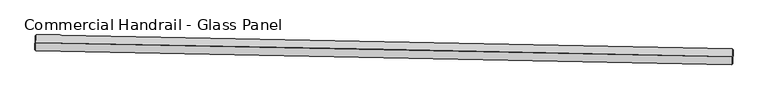
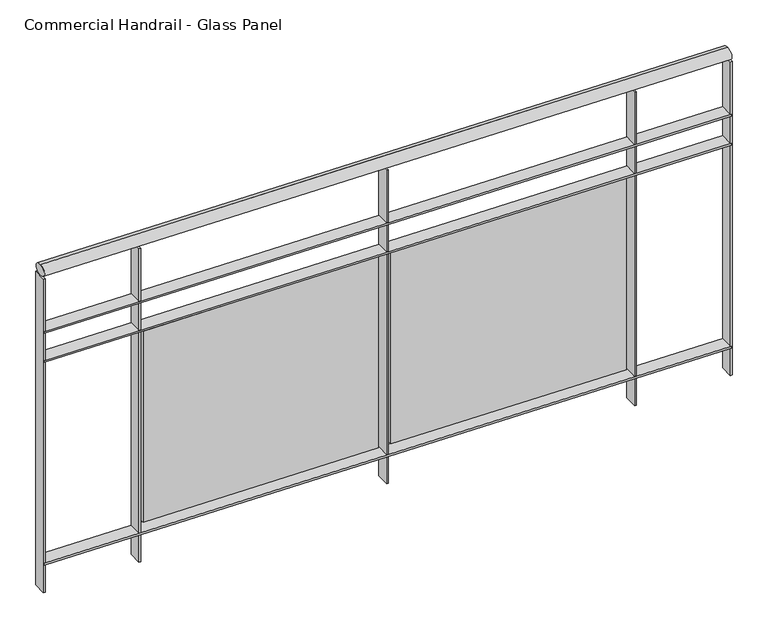
"""IFC4 building model written with IfcOpenShell, lengths in millimetres: railing geometry, Commercial Handrail - Glass Panel."""

from ifc_helpers import new_model, si_unit, point, frame, origin, place, context, project, spatial, polyline, circle_curve, ellipse_curve, trimmed, outline, extrude, source, transform, mapped, element, save
from ifc_brep_helpers import plane_surface, cylinder_surface, revolved_surface, advanced_brep


def commercial_handrail_glass_panel_ea750083(model_context):
    return source(origin(), model_context, "Body", "SolidModel", [
        advanced_brep(
        [(109450.0847955, -31519.7385661, 12882.5), (111668.0683441, -31564.3090244, 12882.5), (111668.0683441, -31564.3090244, 12917.5), (109450.0847955, -31519.7385661, 12917.5)],
        [
            (0, 1, circle_curve(frame((103958.1605732, -360026.9365691, 12882.5), z_axis=(0.0, 0.0, -1.0), x_axis=(0.023466245609922713, 0.9997246297440985, 0.0)), 328553.1012963)),
            (1, 2, ellipse_curve(frame((111668.0683441, -31564.3090244, 12900.0), z_axis=(-0.9997246297440988, 0.02346624560991631, 0.0), x_axis=(0.0234662456099163, 0.9997246297440986, 0.0)), 25.0, 17.5)),
            (2, 3, circle_curve(frame((103958.1605732, -360026.9365691, 12917.5), z_axis=(0.0, 0.0, 1.0), x_axis=(0.023466245609922713, 0.9997246297440985, 0.0)), 328553.1012963)),
            (3, 0, ellipse_curve(frame((109450.0847955, -31519.7385661, 12900.0), z_axis=(0.999860286531577, -0.016715484348137827, 0.0), x_axis=(0.016715484348137827, 0.999860286531577, 0.0)), 25.0, 17.5)),
            (2, 1, ellipse_curve(frame((111668.0683441, -31564.3090244, 12900.0), z_axis=(-0.9997246297440988, 0.02346624560991631, 0.0), x_axis=(0.0234662456099163, 0.9997246297440986, 0.0)), 25.0, 17.5)),
            (0, 3, ellipse_curve(frame((109450.0847955, -31519.7385661, 12900.0), z_axis=(0.999860286531577, -0.016715484348137827, 0.0), x_axis=(0.016715484348137827, 0.999860286531577, 0.0)), 25.0, 17.5)),
        ],
        [
            revolved_surface(trimmed(ellipse_curve(frame((111668.0683441, -31564.3090244, 12900.0), z_axis=(0.9997246297440985, -0.023466245609922713, 0.0), x_axis=(0.0, 0.0, -1.0)), 17.5, 25.0), [point((111668.0683441, -31564.3090244, 12917.5))], [point((111668.0683441, -31564.3090244, 12882.5))], True, "CARTESIAN"), (103958.1605732, -360026.9365691, 12900.0), (0.0, 0.0, 1.0)),
            revolved_surface(trimmed(ellipse_curve(frame((111668.0683441, -31564.3090244, 12900.0), z_axis=(0.9997246297440985, -0.023466245609922713, 0.0), x_axis=(0.0, 0.0, -1.0)), 17.5, 25.0), [point((111668.0683441, -31564.3090244, 12882.5))], [point((111668.0683441, -31564.3090244, 12917.5))], True, "CARTESIAN"), (103958.1605732, -360026.9365691, 12900.0), (0.0, 0.0, 1.0)),
            plane_surface(frame((111668.0683441, -31564.3090244, 12900.0), z_axis=(0.9997246297440986, -0.023466245609922713, 0.0), x_axis=(0.023466245609922713, 0.9997246297440986, 0.0))),
            plane_surface(frame((109450.0847955, -31519.7385661, 12900.0), z_axis=(-0.999860286531577, 0.016715484348137813, 0.0), x_axis=(0.016715484348137813, 0.999860286531577, 0.0))),
        ],
        [
            (0, [[1, 2, 3, 4]]),
            (1, [[-3, 5, -1, 6]]),
            (2, [[-2, -5]]),
            (3, [[-6, -4]]),
        ],
    ),
        advanced_brep(
        [(109449.7086971, -31542.2354226, 12700.0), (111667.5403536, -31586.8028285, 12700.0), (111668.5963347, -31541.8152202, 12700.0), (109450.4608939, -31497.2417097, 12700.0), (109449.7086971, -31542.2354226, 12694.0), (111667.5403536, -31586.8028285, 12694.0), (109450.4608939, -31497.2417097, 12694.0), (111668.5963347, -31541.8152202, 12694.0)],
        [
            (0, 1, circle_curve(frame((103958.1605732, -360026.9365691, 12700.0), z_axis=(0.0, 0.0, -1.0), x_axis=(0.023466245609922713, 0.9997246297440985, 0.0)), 328530.6012963)),
            (1, 2),
            (2, 3, circle_curve(frame((103958.1605732, -360026.9365691, 12700.0), z_axis=(0.0, 0.0, 1.0), x_axis=(0.023466245609922713, 0.9997246297440985, 0.0)), 328575.6012963)),
            (3, 0),
            (4, 5, circle_curve(frame((103958.1605732, -360026.9365691, 12694.0), z_axis=(0.0, 0.0, -1.0), x_axis=(0.023466245609922713, 0.9997246297440985, 0.0)), 328530.6012963)),
            (5, 1),
            (0, 4),
            (6, 7, circle_curve(frame((103958.1605732, -360026.9365691, 12694.0), z_axis=(0.0, 0.0, -1.0), x_axis=(0.023466245609922713, 0.9997246297440985, 0.0)), 328575.6012963)),
            (7, 5),
            (4, 6),
            (2, 7),
            (6, 3),
        ],
        [
            plane_surface(frame((103958.1605732, -360026.9365691, 12700.0), z_axis=(0.0, 0.0, 1.0), x_axis=(0.023466245609922713, 0.9997246297440985, 0.0))),
            revolved_surface(polyline([(111667.54035359457, -31586.802828550455, 12700.0), (111667.54035359457, -31586.802828550455, 12694.0)]), (103958.1605732, -360026.9365691, 12700.0), (0.0, 0.0, 1.0)),
            plane_surface(frame((103958.1605732, -360026.9365691, 12694.0), z_axis=(0.0, 0.0, -1.0), x_axis=(0.023466245609922713, 0.9997246297440985, 0.0))),
            cylinder_surface(frame((103958.1605732, -360026.9365691, 12700.0), z_axis=(0.0, 0.0, 1.0), x_axis=(0.023466245609922713, 0.9997246297440985, 0.0)), 328575.6012963),
            plane_surface(frame((111668.0683441, -31564.3090244, 12700.0), z_axis=(0.9997246297440986, -0.023466245609922713, 0.0), x_axis=(0.023466245609922713, 0.9997246297440986, 0.0))),
            plane_surface(frame((109450.0847955, -31519.7385661, 12700.0), z_axis=(-0.999860286531577, 0.016715484348137813, 0.0), x_axis=(0.016715484348137813, 0.999860286531577, 0.0))),
        ],
        [
            (0, [[1, 2, 3, 4]]),
            (1, [[5, 6, -1, 7]]),
            (2, [[8, 9, -5, 10]]),
            (3, [[-3, 11, -8, 12]]),
            (4, [[-2, -6, -9, -11]]),
            (5, [[-12, -10, -7, -4]]),
        ],
    ),
        advanced_brep(
        [(109449.7086971, -31542.2354226, 12600.0), (111667.5403536, -31586.8028285, 12600.0), (111668.5963347, -31541.8152202, 12600.0), (109450.4608939, -31497.2417097, 12600.0), (109449.7086971, -31542.2354226, 12594.0), (111667.5403536, -31586.8028285, 12594.0), (109450.4608939, -31497.2417097, 12594.0), (111668.5963347, -31541.8152202, 12594.0)],
        [
            (0, 1, circle_curve(frame((103958.1605732, -360026.9365691, 12600.0), z_axis=(0.0, 0.0, -1.0), x_axis=(0.023466245609922713, 0.9997246297440985, 0.0)), 328530.6012963)),
            (1, 2),
            (2, 3, circle_curve(frame((103958.1605732, -360026.9365691, 12600.0), z_axis=(0.0, 0.0, 1.0), x_axis=(0.023466245609922713, 0.9997246297440985, 0.0)), 328575.6012963)),
            (3, 0),
            (4, 5, circle_curve(frame((103958.1605732, -360026.9365691, 12594.0), z_axis=(0.0, 0.0, -1.0), x_axis=(0.023466245609922713, 0.9997246297440985, 0.0)), 328530.6012963)),
            (5, 1),
            (0, 4),
            (6, 7, circle_curve(frame((103958.1605732, -360026.9365691, 12594.0), z_axis=(0.0, 0.0, -1.0), x_axis=(0.023466245609922713, 0.9997246297440985, 0.0)), 328575.6012963)),
            (7, 5),
            (4, 6),
            (2, 7),
            (6, 3),
        ],
        [
            plane_surface(frame((103958.1605732, -360026.9365691, 12600.0), z_axis=(0.0, 0.0, 1.0), x_axis=(0.023466245609922713, 0.9997246297440985, 0.0))),
            revolved_surface(polyline([(111667.54035359457, -31586.802828550455, 12600.0), (111667.54035359457, -31586.802828550455, 12594.0)]), (103958.1605732, -360026.9365691, 12600.0), (0.0, 0.0, 1.0)),
            plane_surface(frame((103958.1605732, -360026.9365691, 12594.0), z_axis=(0.0, 0.0, -1.0), x_axis=(0.023466245609922713, 0.9997246297440985, 0.0))),
            cylinder_surface(frame((103958.1605732, -360026.9365691, 12600.0), z_axis=(0.0, 0.0, 1.0), x_axis=(0.023466245609922713, 0.9997246297440985, 0.0)), 328575.6012963),
            plane_surface(frame((111668.0683441, -31564.3090244, 12600.0), z_axis=(0.9997246297440986, -0.023466245609922713, 0.0), x_axis=(0.023466245609922713, 0.9997246297440986, 0.0))),
            plane_surface(frame((109450.0847955, -31519.7385661, 12600.0), z_axis=(-0.999860286531577, 0.016715484348137813, 0.0), x_axis=(0.016715484348137813, 0.999860286531577, 0.0))),
        ],
        [
            (0, [[1, 2, 3, 4]]),
            (1, [[5, 6, -1, 7]]),
            (2, [[8, 9, -5, 10]]),
            (3, [[-3, 11, -8, 12]]),
            (4, [[-2, -6, -9, -11]]),
            (5, [[-12, -10, -7, -4]]),
        ],
    ),
        advanced_brep(
        [(109449.7086971, -31542.2354226, 11900.0), (111667.5403536, -31586.8028285, 11900.0), (111668.5963347, -31541.8152202, 11900.0), (109450.4608939, -31497.2417097, 11900.0), (109449.7086971, -31542.2354226, 11894.0), (111667.5403536, -31586.8028285, 11894.0), (109450.4608939, -31497.2417097, 11894.0), (111668.5963347, -31541.8152202, 11894.0)],
        [
            (0, 1, circle_curve(frame((103958.1605732, -360026.9365691, 11900.0), z_axis=(0.0, 0.0, -1.0), x_axis=(0.023466245609922713, 0.9997246297440985, 0.0)), 328530.6012963)),
            (1, 2),
            (2, 3, circle_curve(frame((103958.1605732, -360026.9365691, 11900.0), z_axis=(0.0, 0.0, 1.0), x_axis=(0.023466245609922713, 0.9997246297440985, 0.0)), 328575.6012963)),
            (3, 0),
            (4, 5, circle_curve(frame((103958.1605732, -360026.9365691, 11894.0), z_axis=(0.0, 0.0, -1.0), x_axis=(0.023466245609922713, 0.9997246297440985, 0.0)), 328530.6012963)),
            (5, 1),
            (0, 4),
            (6, 7, circle_curve(frame((103958.1605732, -360026.9365691, 11894.0), z_axis=(0.0, 0.0, -1.0), x_axis=(0.023466245609922713, 0.9997246297440985, 0.0)), 328575.6012963)),
            (7, 5),
            (4, 6),
            (2, 7),
            (6, 3),
        ],
        [
            plane_surface(frame((103958.1605732, -360026.9365691, 11900.0), z_axis=(0.0, 0.0, 1.0), x_axis=(0.023466245609922713, 0.9997246297440985, 0.0))),
            revolved_surface(polyline([(111667.54035359457, -31586.802828550455, 11900.0), (111667.54035359457, -31586.802828550455, 11894.0)]), (103958.1605732, -360026.9365691, 11900.0), (0.0, 0.0, 1.0)),
            plane_surface(frame((103958.1605732, -360026.9365691, 11894.0), z_axis=(0.0, 0.0, -1.0), x_axis=(0.023466245609922713, 0.9997246297440985, 0.0))),
            cylinder_surface(frame((103958.1605732, -360026.9365691, 11900.0), z_axis=(0.0, 0.0, 1.0), x_axis=(0.023466245609922713, 0.9997246297440985, 0.0)), 328575.6012963),
            plane_surface(frame((111668.0683441, -31564.3090244, 11900.0), z_axis=(0.9997246297440986, -0.023466245609922713, 0.0), x_axis=(0.023466245609922713, 0.9997246297440986, 0.0))),
            plane_surface(frame((109450.0847955, -31519.7385661, 11900.0), z_axis=(-0.999860286531577, 0.016715484348137813, 0.0), x_axis=(0.016715484348137813, 0.999860286531577, 0.0))),
        ],
        [
            (0, [[1, 2, 3, 4]]),
            (1, [[5, 6, -1, 7]]),
            (2, [[8, 9, -5, 10]]),
            (3, [[-3, 11, -8, 12]]),
            (4, [[-2, -6, -9, -11]]),
            (5, [[-12, -10, -7, -4]]),
        ],
    ),
        extrude(outline(polyline([(109762.6536892, -31502.6092569), (109761.8591469, -31547.602242), (109755.8600823, -31547.496303), (109756.6546246, -31502.503318), (109762.6536892, -31502.6092569)])), frame((0.0, 0.0, 11800.0), z_axis=(0.0, 0.0, 1.0), x_axis=(1.0, 0.0, 0.0)), (0.0, 0.0, 1.0), 1082.1192282),
        extrude(outline(polyline([(110539.0092025, -31545.529787), (109779.1445776, -31531.185736), (109779.3710626, -31519.1878735), (110539.2356875, -31533.5319245), (110539.0092025, -31545.529787)])), frame((0.0, 0.0, 11920.0), z_axis=(0.0, 0.0, 1.0), x_axis=(1.0, 0.0, 0.0)), (0.0, 0.0, 1.0), 660.0),
        extrude(outline(polyline([(110562.5656296, -31517.7165918), (110561.6615355, -31562.7075088), (110555.6627466, -31562.5869629), (110556.5668406, -31517.5960459), (110562.5656296, -31517.7165918)])), frame((0.0, 0.0, 11800.0), z_axis=(0.0, 0.0, 1.0), x_axis=(1.0, 0.0, 0.0)), (0.0, 0.0, 1.0), 1082.1192282),
        extrude(outline(polyline([(111338.8143335, -31562.5273551), (110578.9868877, -31546.33314), (110579.2425858, -31534.3358646), (111339.0700316, -31550.5300797), (111338.8143335, -31562.5273551)])), frame((0.0, 0.0, 11920.0), z_axis=(0.0, 0.0, 1.0), x_axis=(1.0, 0.0, 0.0)), (0.0, 0.0, 1.0), 660.0),
        extrude(outline(polyline([(111362.4384136, -31534.7716003), (111361.4247731, -31579.7601825), (111355.4262954, -31579.6250305), (111356.4399359, -31534.6364482), (111362.4384136, -31534.7716003)])), frame((0.0, 0.0, 11800.0), z_axis=(0.0, 0.0, 1.0), x_axis=(1.0, 0.0, 0.0)), (0.0, 0.0, 1.0), 1082.1192282),
        extrude(outline(polyline([(109453.4604747, -31497.2918561), (109452.7082779, -31542.285569), (109446.7091162, -31542.1852761), (109447.461313, -31497.1915632), (109453.4604747, -31497.2918561)])), frame((0.0, 0.0, 11800.0), z_axis=(0.0, 0.0, 1.0), x_axis=(1.0, 0.0, 0.0)), (0.0, 0.0, 1.0), 1082.1192282),
        extrude(outline(polyline([(111671.5955086, -31541.8856189), (111670.5395275, -31586.8732273), (111664.5411797, -31586.7324298), (111665.5971608, -31541.7448215), (111671.5955086, -31541.8856189)])), frame((0.0, 0.0, 11800.0), z_axis=(0.0, 0.0, 1.0), x_axis=(1.0, 0.0, 0.0)), (0.0, 0.0, 1.0), 1082.1192282),
    ])


if __name__ == "__main__":
    model = new_model("IFC4")
    model_context = context("Model", 3, world=origin())
    ifc_project = project(units=[si_unit("LENGTHUNIT", "METRE", prefix="MILLI")], contexts=[model_context])
    site = spatial("IfcSite", under=ifc_project)
    building = spatial("IfcBuilding", under=site)
    placement = place(None, origin())
    commercial_handrail_glass_panel_shape = commercial_handrail_glass_panel_ea750083(model_context)
    element("IfcRailing", 1, ObjectType="Commercial Handrail - Glass Panel", at=placement, inside=building, context=model_context, shape_type="MappedRepresentation", body=[
        mapped(commercial_handrail_glass_panel_shape, transform((0.0, 0.0, 0.0), x_axis=(1.0, 0.0, 0.0), y_axis=(0.0, 1.0, 0.0), z_axis=(0.0, 0.0, 1.0))),
    ])
    save(model, "model.ifc")
